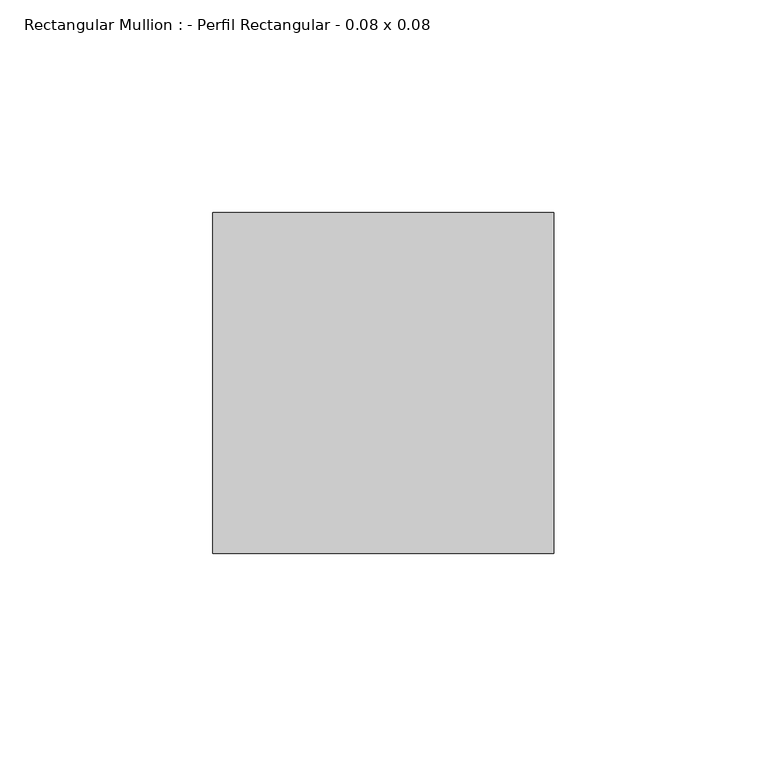
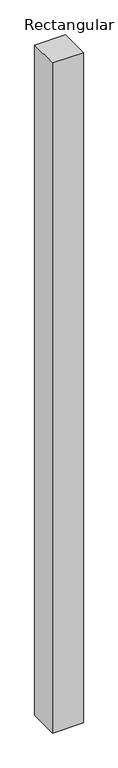
"""IFC4 building model written with IfcOpenShell, lengths in millimetres: member geometry, Rectangular Mullion : - Perfil Rectangular - 0.08 x 0.08."""

import ifcopenshell
import ifcopenshell.guid

model = None  # the IFC model being written
_history = None  # IfcOwnerHistory: only IFC2X3 demands one
_inside = {}  # id of a spatial element -> (the spatial element, [elements in it])
_under = {}  # id of a project, library or spatial element -> (it, [spatial elements below it])
_declared = {}  # id of a project -> (the project, [libraries it declares])
_typed = {}  # id of a type object -> (the type object, [elements of that type])
_made_of = {}  # id of a material, layer set ... -> (it, [elements and type objects made of it])


def new_model(schema):
    """Start an empty IFC model of exactly this schema.

    Asked for "IFC4X3", IfcOpenShell would pick the latest addendum, in which some entities
    have other attributes; the version numbers below select the first issue.
    IFC2X3 requires an IfcOwnerHistory on every rooted entity: one is made here for all.
    """
    global model, _history
    if schema == "IFC4X3":
        model = ifcopenshell.file(schema_version=(4, 3, 0, 0))
    else:
        model = ifcopenshell.file(schema=schema)
    _inside.clear()
    _under.clear()
    _declared.clear()
    _typed.clear()
    _made_of.clear()
    _history = None
    if model.schema == "IFC2X3":
        org = make("IfcOrganization", Name="unknown")
        user = make(
            "IfcPersonAndOrganization",
            ThePerson=make("IfcPerson", FamilyName="unknown"),
            TheOrganization=org,
        )
        app = make(
            "IfcApplication",
            ApplicationDeveloper=org,
            Version="unknown",
            ApplicationFullName="unknown",
            ApplicationIdentifier="unknown",
        )
        _history = make(
            "IfcOwnerHistory",
            OwningUser=user,
            OwningApplication=app,
            ChangeAction="ADDED",
            CreationDate=0,
        )
    return model


def make(cls, **values):
    """One entity of the class cls with the attributes given. An attribute that is None is left unset."""
    return model.create_entity(
        cls, **{name: value for name, value in values.items() if value is not None}
    )


def rooted(cls, **values):
    """An entity with a GlobalId (a new one), such as an element, a storey or a relation."""
    return make(cls, GlobalId=ifcopenshell.guid.new(), OwnerHistory=_history, **values)


def si_unit(unit_type, name, prefix=None):
    """IfcSIUnit, for example si_unit("LENGTHUNIT", "METRE", prefix="MILLI")."""
    return make("IfcSIUnit", UnitType=unit_type, Prefix=prefix, Name=name)


def assignment(units):
    """IfcUnitAssignment: the units of a project."""
    return None if units is None else make("IfcUnitAssignment", Units=units)


def point(xyz):
    """IfcCartesianPoint."""
    return None if xyz is None else make("IfcCartesianPoint", Coordinates=xyz)


def direction(xyz):
    """IfcDirection."""
    return None if xyz is None else make("IfcDirection", DirectionRatios=xyz)


def frame(location, z_axis=None, x_axis=None):
    """IfcAxis2Placement3D, a coordinate frame: its origin and axes. An axis left out is left unset."""
    return make(
        "IfcAxis2Placement3D",
        Location=point(location),
        Axis=direction(z_axis),
        RefDirection=direction(x_axis),
    )


def origin():
    """The frame at (0, 0, 0) with its axes left unset."""
    return frame((0.0, 0.0, 0.0))


def place(relative_to, where):
    """IfcLocalPlacement: puts the frame where relative to a parent placement (None: the world)."""
    return make(
        "IfcLocalPlacement", PlacementRelTo=relative_to, RelativePlacement=where
    )


def context(
    kind, dimensions, precision=None, world=None, true_north=None, identifier=None
):
    """IfcGeometricRepresentationContext, for example the 3D "Model" context."""
    return make(
        "IfcGeometricRepresentationContext",
        ContextIdentifier=identifier,
        ContextType=kind,
        CoordinateSpaceDimension=dimensions,
        Precision=precision,
        WorldCoordinateSystem=world,
        TrueNorth=true_north,
    )


def project(units=None, contexts=None):
    """IfcProject with its units and contexts."""
    return rooted(
        "IfcProject",
        Name="project",
        RepresentationContexts=contexts,
        UnitsInContext=assignment(units),
    )


def spatial(cls, under=None, at=None, **own):
    """A site, building, storey or space (cls), placed at a placement, below another one or the project."""
    s = rooted(cls, ObjectPlacement=at, **own)
    if under is not None:
        _under.setdefault(under.id(), (under, []))[1].append(s)
    return s


def polyline(points):
    """IfcPolyline through the points."""
    return make("IfcPolyline", Points=[point(p) for p in points])


def outline(outer, holes=None, kind="AREA"):
    """IfcArbitraryClosedProfileDef: a profile drawn as a closed curve; with holes, ...WithVoids."""
    if holes is None:
        return make("IfcArbitraryClosedProfileDef", ProfileType=kind, OuterCurve=outer)
    return make(
        "IfcArbitraryProfileDefWithVoids",
        ProfileType=kind,
        OuterCurve=outer,
        InnerCurves=holes,
    )


def extrude(swept, where, along, depth):
    """IfcExtrudedAreaSolid: the profile swept, set in the frame where, extruded along a direction by depth."""
    return make(
        "IfcExtrudedAreaSolid",
        SweptArea=swept,
        Position=where,
        ExtrudedDirection=direction(along),
        Depth=depth,
    )


def shape(context_of_items, identifier, shape_type, items):
    """IfcShapeRepresentation: the items that make up one representation, for example the "Body"."""
    return make(
        "IfcShapeRepresentation",
        ContextOfItems=context_of_items,
        RepresentationIdentifier=identifier,
        RepresentationType=shape_type,
        Items=items,
    )


def source(mapping_origin, context_of_items, identifier, shape_type, items):
    """IfcRepresentationMap: a shape defined once, which mapped items show again and again."""
    return make(
        "IfcRepresentationMap",
        MappingOrigin=mapping_origin,
        MappedRepresentation=shape(context_of_items, identifier, shape_type, items),
    )


def transform(
    local_origin,
    x_axis=None,
    y_axis=None,
    z_axis=None,
    scale=None,
    scale2=None,
    scale3=None,
    uniform=True,
):
    """IfcCartesianTransformationOperator3D, or its non-uniform kind. x_axis, y_axis, z_axis: its Axis1, 2, 3."""
    if uniform:
        return make(
            "IfcCartesianTransformationOperator3D",
            Axis1=direction(x_axis),
            Axis2=direction(y_axis),
            LocalOrigin=point(local_origin),
            Scale=scale,
            Axis3=direction(z_axis),
        )
    return make(
        "IfcCartesianTransformationOperator3DnonUniform",
        Axis1=direction(x_axis),
        Axis2=direction(y_axis),
        LocalOrigin=point(local_origin),
        Scale=scale,
        Axis3=direction(z_axis),
        Scale2=scale2,
        Scale3=scale3,
    )


def mapped(mapping_source, mapping_target):
    """IfcMappedItem: shows the shape of a source again, moved by a transform."""
    return make(
        "IfcMappedItem", MappingSource=mapping_source, MappingTarget=mapping_target
    )


def made_of(thing, what):
    """Note that an element or type object is made of a material, layer set ...; save() writes the relation."""
    if what is not None:
        _made_of.setdefault(what.id(), (what, []))[1].append(thing)
    return thing


def element(
    cls,
    number,
    at=None,
    inside=None,
    cuts=None,
    type_object=None,
    material=None,
    context=None,
    identifier="Body",
    shape_type=None,
    held_by="IfcProductDefinitionShape",
    body=None,
    shapes=None,
    **own,
):
    """One element of the class cls, such as IfcWall. Its Tag is "e" and its number.

    at: its placement. inside: the storey or other place that contains it. cuts: it is an
    opening in that element (IfcRelVoidsElement). A single representation is given by context,
    identifier, shape_type and body (its items); several are given by shapes. held_by: the class
    of the entity that holds the representations. save() writes the other relations.
    """
    e = rooted(cls, Tag="e%d" % number, ObjectPlacement=at, **own)
    if body is not None:
        shapes = [shape(context, identifier, shape_type, body)]
    if shapes is not None:
        e.Representation = make(held_by, Representations=shapes)
    if inside is not None:
        _inside.setdefault(inside.id(), (inside, []))[1].append(e)
    if cuts is not None:
        rooted(
            "IfcRelVoidsElement", RelatingBuildingElement=cuts, RelatedOpeningElement=e
        )
    if type_object is not None:
        _typed.setdefault(type_object.id(), (type_object, []))[1].append(e)
    return made_of(e, material)


def aggregate(whole, parts):
    """IfcRelAggregates: a whole, such as a stair, and the parts it consists of."""
    return rooted("IfcRelAggregates", RelatingObject=whole, RelatedObjects=parts)


def save(model, path):
    """Write the relations noted so far, then the file.

    IfcRelAggregates (storeys below a building ...), IfcRelContainedInSpatialStructure (elements
    in a storey), IfcRelDefinesByType, IfcRelAssociatesMaterial and IfcRelDeclares: one each for
    every whole, place, type object, material and project.
    """
    for whole, parts in _under.values():
        aggregate(whole, parts)
    for where, things in _inside.values():
        rooted(
            "IfcRelContainedInSpatialStructure",
            RelatedElements=things,
            RelatingStructure=where,
        )
    for kind, things in _typed.values():
        rooted("IfcRelDefinesByType", RelatedObjects=things, RelatingType=kind)
    for what, things in _made_of.values():
        rooted("IfcRelAssociatesMaterial", RelatedObjects=things, RelatingMaterial=what)
    for by, libraries in _declared.values():
        rooted("IfcRelDeclares", RelatingContext=by, RelatedDefinitions=libraries)
    model.write(path)


def rectangular_mullion_perfil_rectangular_0_08_x_0_08_8814355e(model_context):
    return source(origin(), model_context, "Body", "SweptSolid", [
        extrude(outline(polyline([(-80.0, 80.0), (0.0, 80.0), (0.0, 0.0), (-80.0, 0.0), (-80.0, 80.0)])), frame((0.0, 0.0, -1840.0), z_axis=(0.0, 0.0, 1.0), x_axis=(1.0, 0.0, 0.0)), (0.0, 0.0, 1.0), 1840.0),
    ])


if __name__ == "__main__":
    model = new_model("IFC4")
    model_context = context("Model", 3, world=origin())
    ifc_project = project(units=[si_unit("LENGTHUNIT", "METRE", prefix="MILLI")], contexts=[model_context])
    site = spatial("IfcSite", under=ifc_project)
    building = spatial("IfcBuilding", under=site)
    placement = place(None, origin())
    rectangular_mullion_perfil_rectangular_0_08_x_0_08_shape = rectangular_mullion_perfil_rectangular_0_08_x_0_08_8814355e(model_context)
    element("IfcMember", 1, ObjectType="Rectangular Mullion : - Perfil Rectangular - 0.08 x 0.08", at=placement, inside=building, context=model_context, shape_type="MappedRepresentation", body=[
        mapped(rectangular_mullion_perfil_rectangular_0_08_x_0_08_shape, transform((0.0, 0.0, 0.0), x_axis=(1.0, 0.0, 0.0), y_axis=(0.0, 1.0, 0.0), z_axis=(0.0, 0.0, 1.0))),
    ])
    save(model, "model.ifc")
